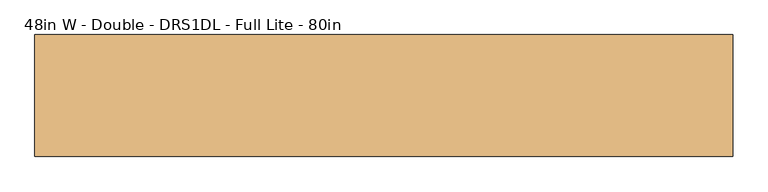
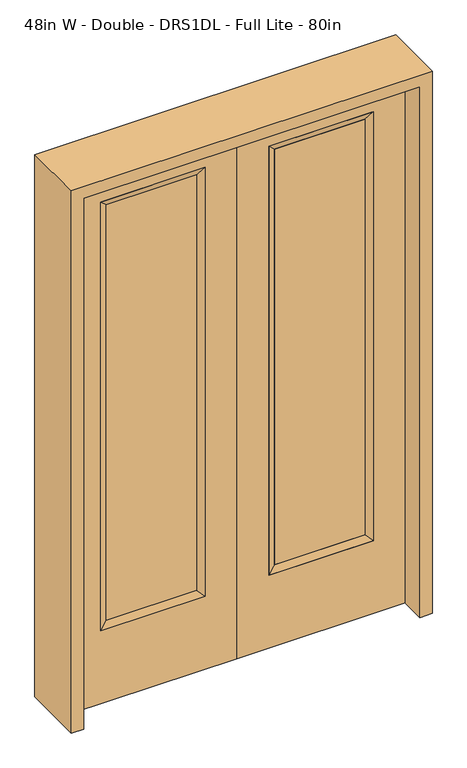
"""IFC4 building model written with IfcOpenShell, lengths in millimetres: door geometry, 48in W - Double - DRS1DL - Full Lite - 80in."""

from ifc_helpers import new_model, si_unit, frame, origin, place, context, project, spatial, polyline, outline, extrude, faceted_brep, source, transform, mapped, element, save


def door_48in_w_double_drs1dl_full_lite_80in_8bb5d7d2(model_context):
    return source(origin(), model_context, "Body", "SolidModel", [
        extrude(outline(polyline([(140.8176, -12.7039749), (140.8176, 14.2875), (468.7824, 14.2875), (468.7824, -12.7039749), (140.8176, -12.7039749)])), frame((0.0, 0.0, 304.8), z_axis=(0.0, 0.0, 1.0), x_axis=(1.0, 0.0, 0.0)), (0.0, 0.0, 1.0), 1591.1576),
        faceted_brep([(140.8176, 14.2875, 1895.9576), (140.8176, 14.2875, 304.8), (115.4176, 22.225, 279.4), (115.4176, 22.225, 1921.3576), (115.4176, -22.225, 279.4), (115.4176, -22.225, 1921.3576), (468.7824, 14.2875, 304.8), (494.1824, 22.225, 279.4), (140.8176, -12.7039749, 1895.9576), (140.8176, -12.7039749, 304.8), (468.7824, -12.7039749, 304.8), (494.1824, -22.225, 279.4), (468.7824, 14.2875, 1895.9576), (494.1824, 22.225, 1921.3576), (468.7824, -12.7039749, 1895.9576), (494.1824, -22.225, 1921.3576)], [[[0, 1, 2, 3]], [[3, 2, 4, 5]], [[1, 6, 7, 2]], [[8, 9, 1, 0]], [[9, 10, 6, 1]], [[5, 4, 9, 8]], [[4, 11, 10, 9]], [[2, 7, 11, 4]], [[6, 12, 13, 7]], [[10, 14, 12, 6]], [[11, 15, 14, 10]], [[7, 13, 15, 11]], [[12, 0, 3, 13]], [[14, 8, 0, 12]], [[15, 5, 8, 14]], [[13, 3, 5, 15]]]),
        extrude(outline(polyline([(0.0, 609.6), (2032.0, 609.6), (2032.0, 0.0), (0.0, 0.0), (0.0, 609.6)]), holes=[polyline([(279.4, 494.1824), (279.4, 115.4176), (1921.3576, 115.4176), (1921.3576, 494.1824), (279.4, 494.1824)])]), frame((0.0, -22.225, 0.0), z_axis=(0.0, 1.0, 0.0), x_axis=(0.0, 0.0, 1.0)), (0.0, 0.0, 1.0), 44.45),
        extrude(outline(polyline([(-140.8176, -12.7039749), (-468.7824, -12.7039749), (-468.7824, 14.2875), (-140.8176, 14.2875), (-140.8176, -12.7039749)])), frame((0.0, 0.0, 304.8), z_axis=(0.0, 0.0, 1.0), x_axis=(1.0, 0.0, 0.0)), (0.0, 0.0, 1.0), 1591.1576),
        faceted_brep([(-140.8176, 14.2875, 1895.9576), (-115.4176, 22.225, 1921.3576), (-115.4176, 22.225, 279.4), (-140.8176, 14.2875, 304.8), (-115.4176, -22.225, 1921.3576), (-115.4176, -22.225, 279.4), (-494.1824, 22.225, 279.4), (-468.7824, 14.2875, 304.8), (-140.8176, -12.7039749, 1895.9576), (-140.8176, -12.7039749, 304.8), (-468.7824, -12.7039749, 304.8), (-494.1824, -22.225, 279.4), (-494.1824, 22.225, 1921.3576), (-468.7824, 14.2875, 1895.9576), (-468.7824, -12.7039749, 1895.9576), (-494.1824, -22.225, 1921.3576)], [[[0, 1, 2, 3]], [[1, 4, 5, 2]], [[3, 2, 6, 7]], [[8, 0, 3, 9]], [[9, 3, 7, 10]], [[4, 8, 9, 5]], [[5, 9, 10, 11]], [[2, 5, 11, 6]], [[7, 6, 12, 13]], [[10, 7, 13, 14]], [[11, 10, 14, 15]], [[6, 11, 15, 12]], [[13, 12, 1, 0]], [[14, 13, 0, 8]], [[15, 14, 8, 4]], [[12, 15, 4, 1]]]),
        extrude(outline(polyline([(0.0, -609.6), (0.0, 0.0), (2032.0, 0.0), (2032.0, -609.6), (0.0, -609.6)]), holes=[polyline([(279.4, -494.1824), (1921.3576, -494.1824), (1921.3576, -115.4176), (279.4, -115.4176), (279.4, -494.1824)])]), frame((0.0, -22.225, 0.0), z_axis=(0.0, 1.0, 0.0), x_axis=(0.0, 0.0, 1.0)), (0.0, 0.0, 1.0), 44.45),
        extrude(outline(polyline([(0.0, -654.05), (0.0, -609.6), (2032.0, -609.6), (2032.0, 609.6), (0.0, 609.6), (0.0, 654.05), (2076.45, 654.05), (2076.45, -654.05), (0.0, -654.05)])), frame((0.0, -114.3, 0.0), z_axis=(0.0, 1.0, 0.0), x_axis=(0.0, 0.0, 1.0)), (0.0, 0.0, 1.0), 228.6),
    ])


if __name__ == "__main__":
    model = new_model("IFC4")
    model_context = context("Model", 3, world=origin())
    ifc_project = project(units=[si_unit("LENGTHUNIT", "METRE", prefix="MILLI")], contexts=[model_context])
    site = spatial("IfcSite", under=ifc_project)
    building = spatial("IfcBuilding", under=site)
    placement = place(None, origin())
    door_48in_w_double_drs1dl_full_lite_80in_shape = door_48in_w_double_drs1dl_full_lite_80in_8bb5d7d2(model_context)
    element("IfcDoor", 1, ObjectType="48in W - Double - DRS1DL - Full Lite - 80in", at=placement, inside=building, context=model_context, shape_type="MappedRepresentation", body=[
        mapped(door_48in_w_double_drs1dl_full_lite_80in_shape, transform((0.0, 0.0, 0.0), x_axis=(1.0, 0.0, 0.0), y_axis=(0.0, 1.0, 0.0), z_axis=(0.0, 0.0, 1.0))),
    ])
    save(model, "model.ifc")
